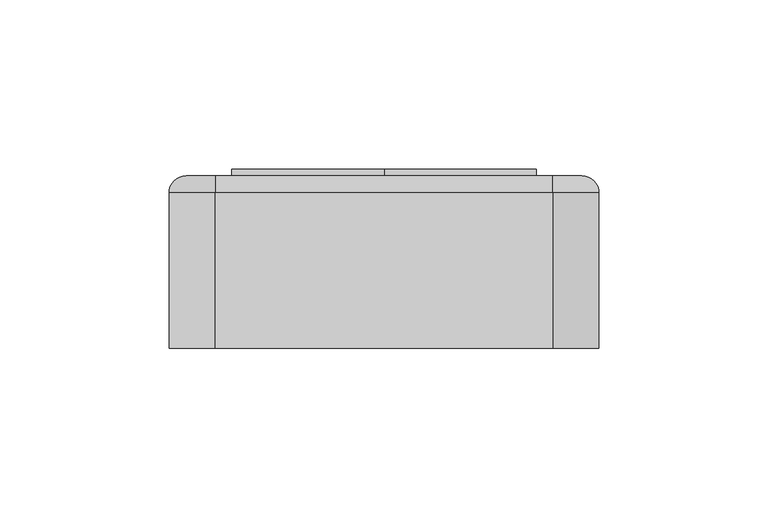
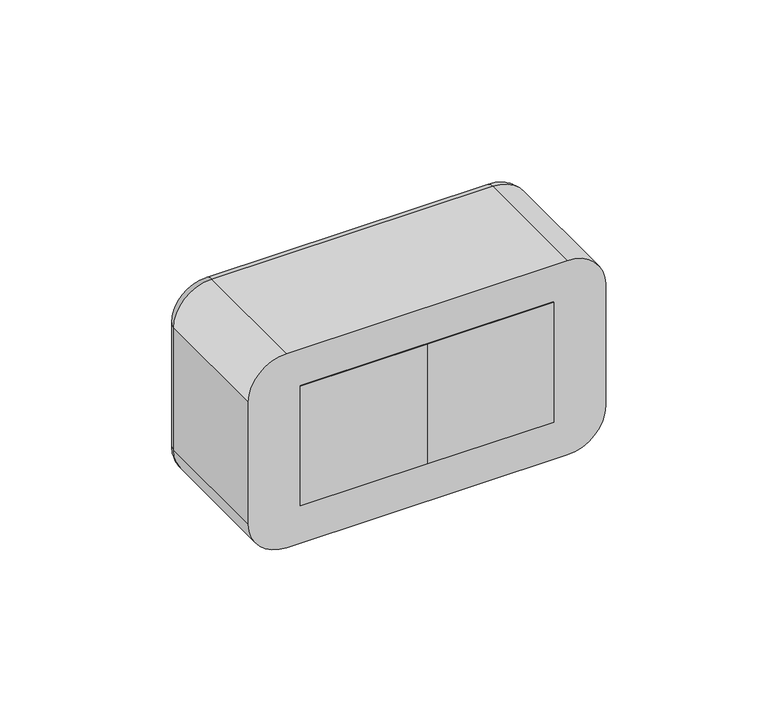
"""IFC4 building model written with IfcOpenShell, lengths in millimetres: proxy geometry."""

from ifc_helpers import new_model, si_unit, point, frame, frame_2d, origin, place, context, project, spatial, polyline, circle_curve, ellipse_curve, trimmed, segment, composite_curve, outline, extrude, source, transform, mapped, element, save
from ifc_brep_helpers import plane_surface, cylinder_surface, revolved_surface, advanced_brep


def electrical_fixtures_0eaf3c72(model_context):
    return source(origin(), model_context, "Body", "SolidModel", [
        advanced_brep(
        [(0.0, 51.0, 22.5), (0.0, 51.0, -22.5), (-45.0, 51.0, -22.5), (-45.0, 51.0, 22.5), (-40.5, 51.0, 0.0), (-4.5, 51.0, 0.0), (0.0, 43.0, 22.5), (-45.0, 43.0, 22.5), (-45.0, 43.0, -22.5), (0.0, 43.0, -22.5), (-29.5, 43.0, 0.0), (-34.5, 43.0, 0.0), (-10.5, 43.0, 0.0), (-15.5, 43.0, 0.0), (-40.5, 44.0, 0.0), (-4.5, 44.0, 0.0), (-34.5, 44.0, 0.0), (-29.5, 44.0, 0.0), (-15.5, 44.0, 0.0), (-10.5, 44.0, 0.0)],
        [
            (0, 1),
            (1, 2),
            (2, 3),
            (3, 0),
            (4, 5, circle_curve(frame((-22.5, 51.0, 0.0), z_axis=(0.0, -1.0, 0.0), x_axis=(1.0, 0.0, 0.0)), 18.0)),
            (5, 4, circle_curve(frame((-22.5, 51.0, 0.0), z_axis=(0.0, -1.0, 0.0), x_axis=(1.0, 0.0, 0.0)), 18.0)),
            (6, 7),
            (7, 8),
            (8, 9),
            (9, 6),
            (10, 11, circle_curve(frame((-32.0, 43.0, 0.0), z_axis=(0.0, 1.0, 0.0), x_axis=(1.0, 0.0, 0.0)), 2.5)),
            (11, 10, circle_curve(frame((-32.0, 43.0, 0.0), z_axis=(0.0, 1.0, 0.0), x_axis=(1.0, 0.0, 0.0)), 2.5)),
            (12, 13, circle_curve(frame((-13.0, 43.0, 0.0), z_axis=(0.0, 1.0, 0.0), x_axis=(1.0, 0.0, 0.0)), 2.5)),
            (13, 12, circle_curve(frame((-13.0, 43.0, 0.0), z_axis=(0.0, 1.0, 0.0), x_axis=(1.0, 0.0, 0.0)), 2.5)),
            (3, 7),
            (6, 0),
            (2, 8),
            (1, 9),
            (14, 15, circle_curve(frame((-22.5, 44.0, 0.0), z_axis=(0.0, 1.0, 0.0), x_axis=(1.0, 0.0, 0.0)), 18.0)),
            (15, 14, circle_curve(frame((-22.5, 44.0, 0.0), z_axis=(0.0, 1.0, 0.0), x_axis=(1.0, 0.0, 0.0)), 18.0)),
            (16, 17, circle_curve(frame((-32.0, 44.0, 0.0), z_axis=(0.0, -1.0, 0.0), x_axis=(1.0, 0.0, 0.0)), 2.5)),
            (17, 16, circle_curve(frame((-32.0, 44.0, 0.0), z_axis=(0.0, -1.0, 0.0), x_axis=(1.0, 0.0, 0.0)), 2.5)),
            (18, 19, circle_curve(frame((-13.0, 44.0, 0.0), z_axis=(0.0, -1.0, 0.0), x_axis=(1.0, 0.0, 0.0)), 2.5)),
            (19, 18, circle_curve(frame((-13.0, 44.0, 0.0), z_axis=(0.0, -1.0, 0.0), x_axis=(1.0, 0.0, 0.0)), 2.5)),
            (15, 5),
            (4, 14),
            (10, 17),
            (16, 11),
            (12, 19),
            (18, 13),
        ],
        [
            plane_surface(frame((-61.5, 51.0, 22.5), z_axis=(0.0, 1.0, 0.0), x_axis=(1.0, 0.0, 0.0))),
            plane_surface(frame((-61.5, 43.0, 22.5), z_axis=(0.0, -1.0, 0.0), x_axis=(-1.0, 0.0, 0.0))),
            plane_surface(frame((0.0, 43.0, 22.5), z_axis=(0.0, 0.0, 1.0), x_axis=(0.0, 1.0, 0.0))),
            plane_surface(frame((-45.0, 43.0, 22.5), z_axis=(-1.0, 0.0, 0.0), x_axis=(0.0, 1.0, 0.0))),
            plane_surface(frame((-45.0, 43.0, -22.5), z_axis=(0.0, 0.0, -1.0), x_axis=(0.0, 1.0, 0.0))),
            plane_surface(frame((0.0, 43.0, -22.5), z_axis=(1.0, 0.0, 0.0), x_axis=(0.0, 1.0, 0.0))),
            plane_surface(frame((-4.5, 44.0, 0.0), z_axis=(0.0, 1.0, 0.0), x_axis=(0.0, 0.0, 1.0))),
            revolved_surface(polyline([(-4.5, 44.0, 0.0), (-4.5, 51.0, 0.0)]), (-22.5, 51.0, 0.0), (0.0, -1.0, 0.0)),
            revolved_surface(polyline([(-29.5, 43.0, 0.0), (-29.5, 44.0, 0.0)]), (-32.0, 44.0, 0.0), (0.0, -1.0, 0.0)),
            revolved_surface(polyline([(-10.5, 43.0, 0.0), (-10.5, 44.0, 0.0)]), (-13.0, 43.0, 0.0), (0.0, -1.0, 0.0)),
        ],
        [
            (0, [[1, 2, 3, 4], [5, 6]]),
            (1, [[7, 8, 9, 10], [11, 12], [13, 14]]),
            (2, [[-4, 15, -7, 16]]),
            (3, [[-3, 17, -8, -15]]),
            (4, [[-2, 18, -9, -17]]),
            (5, [[-1, -16, -10, -18]]),
            (6, [[19, 20], [21, 22], [23, 24]]),
            (7, [[-20, 25, -5, 26]]),
            (7, [[-19, -26, -6, -25]]),
            (8, [[27, -21, 28, -11]]),
            (8, [[-27, -12, -28, -22]]),
            (9, [[29, -23, 30, -13]]),
            (9, [[-29, -14, -30, -24]]),
        ],
    ),
        extrude(outline(polyline([(0.0, 0.0), (-45.0, 0.0), (-45.0, 43.0), (0.0, 43.0), (0.0, 0.0)])), frame((0.0, 0.0, -22.5), z_axis=(0.0, 0.0, 1.0), x_axis=(1.0, 0.0, 0.0)), (0.0, 0.0, 1.0), 45.0),
        extrude(outline(polyline([(0.0, 51.0), (-45.0, 51.0), (-45.0, 53.0), (0.0, 53.0), (0.0, 51.0)])), frame((0.0, 0.0, -22.5), z_axis=(0.0, 0.0, 1.0), x_axis=(1.0, 0.0, 0.0)), (0.0, 0.0, 1.0), 45.0),
        extrude(outline(composite_curve([segment(polyline([(-16.0, -24.0), (-17.9373911, -24.0)]), True, "CONTINUOUS"), segment(trimmed(circle_curve(frame_2d((0.0, -22.5)), 18.0), [point((-17.9373911, -24.0))], [point((-17.9373911, -21.0))], False, "CARTESIAN"), True, "CONTINUOUS"), segment(polyline([(-17.9373911, -21.0), (-16.0, -21.0), (-16.0, -24.0)]), True, "CONTINUOUS")], self_intersect=False)), frame((0.0, 44.0, 0.0), z_axis=(0.0, 1.0, 0.0), x_axis=(0.0, 0.0, 1.0)), (0.0, 0.0, 1.0), 6.0),
        extrude(outline(composite_curve([segment(polyline([(16.0, -24.0), (16.0, -21.0), (17.9373911, -21.0)]), True, "CONTINUOUS"), segment(trimmed(circle_curve(frame_2d((0.0, -22.5)), 18.0), [point((17.9373911, -21.0))], [point((17.9373911, -24.0))], False, "CARTESIAN"), True, "CONTINUOUS"), segment(polyline([(17.9373911, -24.0), (16.0, -24.0)]), True, "CONTINUOUS")], self_intersect=False)), frame((0.0, 44.0, 0.0), z_axis=(0.0, 1.0, 0.0), x_axis=(0.0, 0.0, 1.0)), (0.0, 0.0, 1.0), 6.0),
        extrude(outline(composite_curve([segment(polyline([(8.2462113, -6.5), (2.0, -6.5), (2.0, -4.6114562)]), True, "CONTINUOUS"), segment(trimmed(circle_curve(frame_2d((0.0, -22.5)), 18.0), [point((2.0, -4.6114562))], [point((8.2462113, -6.5))], False, "CARTESIAN"), True, "CONTINUOUS")], self_intersect=False)), frame((0.0, 44.0, 0.0), z_axis=(0.0, 1.0, 0.0), x_axis=(0.0, 0.0, 1.0)), (0.0, 0.0, 1.0), 6.0),
        extrude(outline(composite_curve([segment(trimmed(circle_curve(frame_2d((0.0, -22.5)), 18.0), [point((-8.2462113, -6.5))], [point((-2.0, -4.6114562))], False, "CARTESIAN"), True, "CONTINUOUS"), segment(polyline([(-2.0, -4.6114562), (-2.0, -6.5), (-8.2462113, -6.5)]), True, "CONTINUOUS")], self_intersect=False)), frame((0.0, 44.0, 0.0), z_axis=(0.0, 1.0, 0.0), x_axis=(0.0, 0.0, 1.0)), (0.0, 0.0, 1.0), 6.0),
        extrude(outline(composite_curve([segment(polyline([(-8.2462113, -38.5), (-2.0, -38.5), (-2.0, -40.3885438)]), True, "CONTINUOUS"), segment(trimmed(circle_curve(frame_2d((0.0, -22.5)), 18.0), [point((-2.0, -40.3885438))], [point((-8.2462113, -38.5))], False, "CARTESIAN"), True, "CONTINUOUS")], self_intersect=False)), frame((0.0, 44.0, 0.0), z_axis=(0.0, 1.0, 0.0), x_axis=(0.0, 0.0, 1.0)), (0.0, 0.0, 1.0), 6.0),
        extrude(outline(composite_curve([segment(trimmed(circle_curve(frame_2d((0.0, -22.5)), 18.0), [point((8.2462113, -38.5))], [point((2.0, -40.3885438))], False, "CARTESIAN"), True, "CONTINUOUS"), segment(polyline([(2.0, -40.3885438), (2.0, -38.5), (8.2462113, -38.5)]), True, "CONTINUOUS")], self_intersect=False)), frame((0.0, 44.0, 0.0), z_axis=(0.0, 1.0, 0.0), x_axis=(0.0, 0.0, 1.0)), (0.0, 0.0, 1.0), 6.0),
        advanced_brep(
        [(45.0, 51.0, 22.5), (45.0, 51.0, -22.5), (0.0, 51.0, -22.5), (0.0, 51.0, 22.5), (4.5, 51.0, 0.0), (40.5, 51.0, 0.0), (45.0, 43.0, 22.5), (0.0, 43.0, 22.5), (0.0, 43.0, -22.5), (45.0, 43.0, -22.5), (15.5, 43.0, 0.0), (10.5, 43.0, 0.0), (34.5, 43.0, 0.0), (29.5, 43.0, 0.0), (4.5, 44.0, 0.0), (40.5, 44.0, 0.0), (10.5, 44.0, 0.0), (15.5, 44.0, 0.0), (29.5, 44.0, 0.0), (34.5, 44.0, 0.0)],
        [
            (0, 1),
            (1, 2),
            (2, 3),
            (3, 0),
            (4, 5, circle_curve(frame((22.5, 51.0, 0.0), z_axis=(0.0, -1.0, 0.0), x_axis=(1.0, 0.0, 0.0)), 18.0)),
            (5, 4, circle_curve(frame((22.5, 51.0, 0.0), z_axis=(0.0, -1.0, 0.0), x_axis=(1.0, 0.0, 0.0)), 18.0)),
            (6, 7),
            (7, 8),
            (8, 9),
            (9, 6),
            (10, 11, circle_curve(frame((13.0, 43.0, 0.0), z_axis=(0.0, 1.0, 0.0), x_axis=(1.0, 0.0, 0.0)), 2.5)),
            (11, 10, circle_curve(frame((13.0, 43.0, 0.0), z_axis=(0.0, 1.0, 0.0), x_axis=(1.0, 0.0, 0.0)), 2.5)),
            (12, 13, circle_curve(frame((32.0, 43.0, 0.0), z_axis=(0.0, 1.0, 0.0), x_axis=(1.0, 0.0, 0.0)), 2.5)),
            (13, 12, circle_curve(frame((32.0, 43.0, 0.0), z_axis=(0.0, 1.0, 0.0), x_axis=(1.0, 0.0, 0.0)), 2.5)),
            (3, 7),
            (6, 0),
            (2, 8),
            (1, 9),
            (14, 15, circle_curve(frame((22.5, 44.0, 0.0), z_axis=(0.0, 1.0, 0.0), x_axis=(1.0, 0.0, 0.0)), 18.0)),
            (15, 14, circle_curve(frame((22.5, 44.0, 0.0), z_axis=(0.0, 1.0, 0.0), x_axis=(1.0, 0.0, 0.0)), 18.0)),
            (16, 17, circle_curve(frame((13.0, 44.0, 0.0), z_axis=(0.0, -1.0, 0.0), x_axis=(1.0, 0.0, 0.0)), 2.5)),
            (17, 16, circle_curve(frame((13.0, 44.0, 0.0), z_axis=(0.0, -1.0, 0.0), x_axis=(1.0, 0.0, 0.0)), 2.5)),
            (18, 19, circle_curve(frame((32.0, 44.0, 0.0), z_axis=(0.0, -1.0, 0.0), x_axis=(1.0, 0.0, 0.0)), 2.5)),
            (19, 18, circle_curve(frame((32.0, 44.0, 0.0), z_axis=(0.0, -1.0, 0.0), x_axis=(1.0, 0.0, 0.0)), 2.5)),
            (15, 5),
            (4, 14),
            (10, 17),
            (16, 11),
            (12, 19),
            (18, 13),
        ],
        [
            plane_surface(frame((-16.5, 51.0, 22.5), z_axis=(0.0, 1.0, 0.0), x_axis=(1.0, 0.0, 0.0))),
            plane_surface(frame((-16.5, 43.0, 22.5), z_axis=(0.0, -1.0, 0.0), x_axis=(-1.0, 0.0, 0.0))),
            plane_surface(frame((45.0, 43.0, 22.5), z_axis=(0.0, 0.0, 1.0), x_axis=(0.0, 1.0, 0.0))),
            plane_surface(frame((0.0, 43.0, 22.5), z_axis=(-1.0, 0.0, 0.0), x_axis=(0.0, 1.0, 0.0))),
            plane_surface(frame((0.0, 43.0, -22.5), z_axis=(0.0, 0.0, -1.0), x_axis=(0.0, 1.0, 0.0))),
            plane_surface(frame((45.0, 43.0, -22.5), z_axis=(1.0, 0.0, 0.0), x_axis=(0.0, 1.0, 0.0))),
            plane_surface(frame((40.5, 44.0, 0.0), z_axis=(0.0, 1.0, 0.0), x_axis=(0.0, 0.0, 1.0))),
            revolved_surface(polyline([(40.5, 44.0, 0.0), (40.5, 51.0, 0.0)]), (22.5, 51.0, 0.0), (0.0, -1.0, 0.0)),
            revolved_surface(polyline([(15.5, 43.0, 0.0), (15.5, 44.0, 0.0)]), (13.0, 44.0, 0.0), (0.0, -1.0, 0.0)),
            revolved_surface(polyline([(34.5, 43.0, 0.0), (34.5, 44.0, 0.0)]), (32.0, 43.0, 0.0), (0.0, -1.0, 0.0)),
        ],
        [
            (0, [[1, 2, 3, 4], [5, 6]]),
            (1, [[7, 8, 9, 10], [11, 12], [13, 14]]),
            (2, [[-4, 15, -7, 16]]),
            (3, [[-3, 17, -8, -15]]),
            (4, [[-2, 18, -9, -17]]),
            (5, [[-1, -16, -10, -18]]),
            (6, [[19, 20], [21, 22], [23, 24]]),
            (7, [[-20, 25, -5, 26]]),
            (7, [[-19, -26, -6, -25]]),
            (8, [[27, -21, 28, -11]]),
            (8, [[-27, -12, -28, -22]]),
            (9, [[29, -23, 30, -13]]),
            (9, [[-29, -14, -30, -24]]),
        ],
    ),
        extrude(outline(polyline([(45.0, 0.0), (0.0, 0.0), (0.0, 43.0), (45.0, 43.0), (45.0, 0.0)])), frame((0.0, 0.0, -22.5), z_axis=(0.0, 0.0, 1.0), x_axis=(1.0, 0.0, 0.0)), (0.0, 0.0, 1.0), 45.0),
        extrude(outline(polyline([(45.0, 51.0), (0.0, 51.0), (0.0, 53.0), (45.0, 53.0), (45.0, 51.0)])), frame((0.0, 0.0, -22.5), z_axis=(0.0, 0.0, 1.0), x_axis=(1.0, 0.0, 0.0)), (0.0, 0.0, 1.0), 45.0),
        extrude(outline(composite_curve([segment(polyline([(-16.0, 21.0), (-17.9373911, 21.0)]), True, "CONTINUOUS"), segment(trimmed(circle_curve(frame_2d((0.0, 22.5)), 18.0), [point((-17.9373911, 21.0))], [point((-17.9373911, 24.0))], False, "CARTESIAN"), True, "CONTINUOUS"), segment(polyline([(-17.9373911, 24.0), (-16.0, 24.0), (-16.0, 21.0)]), True, "CONTINUOUS")], self_intersect=False)), frame((0.0, 44.0, 0.0), z_axis=(0.0, 1.0, 0.0), x_axis=(0.0, 0.0, 1.0)), (0.0, 0.0, 1.0), 6.0),
        extrude(outline(composite_curve([segment(polyline([(16.0, 21.0), (16.0, 24.0), (17.9373911, 24.0)]), True, "CONTINUOUS"), segment(trimmed(circle_curve(frame_2d((0.0, 22.5)), 18.0), [point((17.9373911, 24.0))], [point((17.9373911, 21.0))], False, "CARTESIAN"), True, "CONTINUOUS"), segment(polyline([(17.9373911, 21.0), (16.0, 21.0)]), True, "CONTINUOUS")], self_intersect=False)), frame((0.0, 44.0, 0.0), z_axis=(0.0, 1.0, 0.0), x_axis=(0.0, 0.0, 1.0)), (0.0, 0.0, 1.0), 6.0),
        extrude(outline(composite_curve([segment(polyline([(8.2462113, 38.5), (2.0, 38.5), (2.0, 40.3885438)]), True, "CONTINUOUS"), segment(trimmed(circle_curve(frame_2d((0.0, 22.5)), 18.0), [point((2.0, 40.3885438))], [point((8.2462113, 38.5))], False, "CARTESIAN"), True, "CONTINUOUS")], self_intersect=False)), frame((0.0, 44.0, 0.0), z_axis=(0.0, 1.0, 0.0), x_axis=(0.0, 0.0, 1.0)), (0.0, 0.0, 1.0), 6.0),
        extrude(outline(composite_curve([segment(trimmed(circle_curve(frame_2d((0.0, 22.5)), 18.0), [point((-8.2462113, 38.5))], [point((-2.0, 40.3885438))], False, "CARTESIAN"), True, "CONTINUOUS"), segment(polyline([(-2.0, 40.3885438), (-2.0, 38.5), (-8.2462113, 38.5)]), True, "CONTINUOUS")], self_intersect=False)), frame((0.0, 44.0, 0.0), z_axis=(0.0, 1.0, 0.0), x_axis=(0.0, 0.0, 1.0)), (0.0, 0.0, 1.0), 6.0),
        extrude(outline(composite_curve([segment(polyline([(-8.2462113, 6.5), (-2.0, 6.5), (-2.0, 4.6114562)]), True, "CONTINUOUS"), segment(trimmed(circle_curve(frame_2d((0.0, 22.5)), 18.0), [point((-2.0, 4.6114562))], [point((-8.2462113, 6.5))], False, "CARTESIAN"), True, "CONTINUOUS")], self_intersect=False)), frame((0.0, 44.0, 0.0), z_axis=(0.0, 1.0, 0.0), x_axis=(0.0, 0.0, 1.0)), (0.0, 0.0, 1.0), 6.0),
        extrude(outline(composite_curve([segment(trimmed(circle_curve(frame_2d((0.0, 22.5)), 18.0), [point((8.2462113, 6.5))], [point((2.0, 4.6114562))], False, "CARTESIAN"), True, "CONTINUOUS"), segment(polyline([(2.0, 4.6114562), (2.0, 6.5), (8.2462113, 6.5)]), True, "CONTINUOUS")], self_intersect=False)), frame((0.0, 44.0, 0.0), z_axis=(0.0, 1.0, 0.0), x_axis=(0.0, 0.0, 1.0)), (0.0, 0.0, 1.0), 6.0),
        advanced_brep(
        [(49.9328665, 51.0, 31.5), (58.5, 51.0, 22.9328665), (58.5, 51.0, -22.9328665), (49.9328665, 51.0, -31.5), (-49.9328665, 51.0, -31.5), (-58.5, 51.0, -22.9328665), (-58.5, 51.0, 22.9328665), (-49.9328665, 51.0, 31.5), (45.0, 51.0, 22.5), (-45.0, 51.0, 22.5), (-45.0, 51.0, -22.5), (45.0, 51.0, -22.5), (-49.9328665, 0.0, 36.5), (-63.5, 0.0, 22.9328665), (-63.5, 0.0, -22.9328665), (-49.9328665, 0.0, -36.5), (49.9328665, 0.0, -36.5), (63.5, 0.0, -22.9328665), (63.5, 0.0, 22.9328665), (49.9328665, 0.0, 36.5), (45.0, 2.0, -22.5), (45.0, 2.0, 22.5), (-45.0, 2.0, -22.5), (-45.0, 2.0, 22.5), (-63.5, 46.0, 22.9328665), (-63.5, 46.0, -22.9328665), (-49.9328665, 46.0, -36.5), (49.9328665, 46.0, -36.5), (63.5, 46.0, -22.9328665), (63.5, 46.0, 22.9328665), (49.9328665, 46.0000072, 36.5), (-49.9328665, 46.0, 36.5)],
        [
            (0, 1, circle_curve(frame((49.9328665, 51.0, 22.9328665), z_axis=(0.0, 1.0, 0.0), x_axis=(0.0, 0.0, 1.0)), 8.5671335)),
            (1, 2),
            (2, 3, circle_curve(frame((49.9328665, 51.0, -22.9328665), z_axis=(0.0, 1.0, 0.0), x_axis=(1.0, 0.0, 0.0)), 8.5671335)),
            (3, 4),
            (4, 5, circle_curve(frame((-49.9328665, 51.0, -22.9328665), z_axis=(0.0, 1.0, 0.0), x_axis=(0.0, 0.0, -1.0)), 8.5671335)),
            (5, 6),
            (6, 7, circle_curve(frame((-49.9328665, 51.0, 22.9328665), z_axis=(0.0, 1.0, 0.0), x_axis=(-1.0, 0.0, 0.0)), 8.5671335)),
            (7, 0),
            (8, 9),
            (9, 10),
            (10, 11),
            (11, 8),
            (12, 13, circle_curve(frame((-49.9328665, 0.0, 22.9328665), z_axis=(0.0, -1.0, 0.0), x_axis=(1.0, 0.0, 0.0)), 13.5671335)),
            (13, 14),
            (14, 15, circle_curve(frame((-49.9328665, 0.0, -22.9328665), z_axis=(0.0, -1.0, 0.0), x_axis=(1.0, 0.0, 0.0)), 13.5671335)),
            (15, 16),
            (16, 17, circle_curve(frame((49.9328665, 0.0, -22.9328665), z_axis=(0.0, -1.0, 0.0), x_axis=(1.0, 0.0, 0.0)), 13.5671335)),
            (17, 18),
            (18, 19, circle_curve(frame((49.9328665, 0.0, 22.9328665), z_axis=(0.0, -1.0, 0.0), x_axis=(1.0, 0.0, 0.0)), 13.5671335)),
            (19, 12),
            (11, 20),
            (20, 21),
            (21, 8),
            (10, 22),
            (22, 20),
            (9, 23),
            (23, 22),
            (21, 23),
            (13, 24),
            (24, 25),
            (25, 14),
            (15, 26),
            (26, 27),
            (27, 16),
            (17, 28),
            (28, 29),
            (29, 18),
            (19, 30),
            (30, 31),
            (31, 12),
            (31, 24, circle_curve(frame((-49.9328665, 46.0, 22.9328665), z_axis=(0.0, -1.0, 0.0), x_axis=(1.0, 0.0, 0.0)), 13.5671335)),
            (25, 26, circle_curve(frame((-49.9328665, 46.0, -22.9328665), z_axis=(0.0, -1.0, 0.0), x_axis=(1.0, 0.0, 0.0)), 13.5671335)),
            (27, 28, circle_curve(frame((49.9328665, 46.0, -22.9328665), z_axis=(0.0, -1.0, 0.0), x_axis=(1.0, 0.0, 0.0)), 13.5671335)),
            (29, 30, circle_curve(frame((49.9328665, 46.0, 22.9328665), z_axis=(0.0, -1.0, 0.0), x_axis=(1.0, 0.0, 0.0)), 13.5671335)),
            (29, 1, circle_curve(frame((58.5, 46.0, 22.9328665), z_axis=(0.0, 0.0, 1.0), x_axis=(0.0, 1.0, 0.0)), 5.0)),
            (0, 30, circle_curve(frame((49.9328665, 46.0, 31.5), z_axis=(1.0, 0.0, 0.0), x_axis=(0.0, 1.0, 0.0)), 5.0)),
            (28, 2, circle_curve(frame((58.5, 46.0, -22.9328665), z_axis=(0.0, 0.0, 1.0), x_axis=(0.0, 1.0, 0.0)), 5.0)),
            (27, 3, circle_curve(frame((49.9328665, 46.0, -31.5), z_axis=(1.0, 0.0, 0.0), x_axis=(0.0, 1.0, 0.0)), 5.0)),
            (26, 4, circle_curve(frame((-49.9328665, 46.0, -31.5), z_axis=(1.0, 0.0, 0.0), x_axis=(0.0, 1.0, 0.0)), 5.0)),
            (25, 5, circle_curve(frame((-58.5, 46.0, -22.9328665), z_axis=(0.0, 0.0, -1.0), x_axis=(0.0, 1.0, 0.0)), 5.0)),
            (24, 6, circle_curve(frame((-58.5, 46.0, 22.9328665), z_axis=(0.0, 0.0, -1.0), x_axis=(0.0, 1.0, 0.0)), 5.0)),
            (31, 7, circle_curve(frame((-49.9328665, 46.0, 31.5), z_axis=(-1.0, 0.0, 0.0), x_axis=(0.0, 1.0, 0.0)), 5.0)),
        ],
        [
            plane_surface(frame((45.0, 51.0, 6.9412233), z_axis=(0.0, 1.0, 0.0), x_axis=(0.0, 0.0, 1.0))),
            plane_surface(frame((45.0, 0.0, 6.9412233), z_axis=(0.0, -1.0, 0.0), x_axis=(0.0, 0.0, -1.0))),
            plane_surface(frame((45.0, 0.0, 22.5), z_axis=(-1.0, 0.0, 0.0), x_axis=(0.0, 1.0, 0.0))),
            plane_surface(frame((45.0, 0.0, -22.5), z_axis=(0.0, 0.0, 1.0), x_axis=(0.0, 1.0, 0.0))),
            plane_surface(frame((-45.0, 0.0, -22.5), z_axis=(1.0, 0.0, 0.0), x_axis=(0.0, 1.0, 0.0))),
            plane_surface(frame((-45.0, 0.0, 22.5), z_axis=(0.0, 0.0, -1.0), x_axis=(0.0, 1.0, 0.0))),
            plane_surface(frame((-63.5, 0.0, 22.9328665), z_axis=(-1.0, 0.0, 0.0), x_axis=(0.0, 1.0, 0.0))),
            plane_surface(frame((-49.9328665, 0.0, -36.5), z_axis=(0.0, 0.0, -1.0), x_axis=(0.0, 1.0, 0.0))),
            plane_surface(frame((63.5, 0.0, -22.9328665), z_axis=(1.0, 0.0, 0.0), x_axis=(0.0, 1.0, 0.0))),
            plane_surface(frame((49.9328665, 0.0, 36.5), z_axis=(0.0, 0.0, 1.0), x_axis=(0.0, 1.0, 0.0))),
            cylinder_surface(frame((-49.9328665, 0.0, 22.9328665), z_axis=(0.0, -1.0, 0.0), x_axis=(1.0, 0.0, 0.0)), 13.5671335),
            cylinder_surface(frame((-49.9328665, 0.0, -22.9328665), z_axis=(0.0, -1.0, 0.0), x_axis=(1.0, 0.0, 0.0)), 13.5671335),
            cylinder_surface(frame((49.9328665, 0.0, -22.9328665), z_axis=(0.0, -1.0, 0.0), x_axis=(1.0, 0.0, 0.0)), 13.5671335),
            cylinder_surface(frame((49.9328665, 0.0, 22.9328665), z_axis=(0.0, -1.0, 0.0), x_axis=(1.0, 0.0, 0.0)), 13.5671335),
            plane_surface(frame((-45.0, 2.0, 22.5), z_axis=(0.0, 1.0, 0.0), x_axis=(0.0, 0.0, 1.0))),
            revolved_surface(trimmed(ellipse_curve(frame((49.9328665, 46.0, 31.5), z_axis=(-1.0, 0.0, 0.0), x_axis=(0.0, 1.0, 0.0)), 5.0, 5.0), [point((49.9328665, 46.0, 36.5))], [point((49.9328665, 51.0, 31.5))], True, "CARTESIAN"), (49.9328665, 51.0, 22.9328665), (0.0, 1.0, 0.0)),
            cylinder_surface(frame((58.5, 46.0, 22.9328665), z_axis=(0.0, 0.0, -1.0), x_axis=(0.0, 1.0, 0.0)), 5.0),
            revolved_surface(trimmed(ellipse_curve(frame((58.5, 46.0, -22.9328665), z_axis=(0.0, 0.0, 1.0), x_axis=(0.0, 1.0, 0.0)), 5.0, 5.0), [point((63.5, 46.0, -22.9328665))], [point((58.5, 51.0, -22.9328665))], True, "CARTESIAN"), (49.9328665, 51.0, -22.9328665), (0.0, 1.0, 0.0)),
            cylinder_surface(frame((49.9328665, 46.0, -31.5), z_axis=(-1.0, 0.0, 0.0), x_axis=(0.0, 1.0, 0.0)), 5.0),
            revolved_surface(trimmed(ellipse_curve(frame((-49.9328665, 46.0, -31.5), z_axis=(1.0, 0.0, 0.0), x_axis=(0.0, 1.0, 0.0)), 5.0, 5.0), [point((-49.9328665, 46.0, -36.5))], [point((-49.9328665, 51.0, -31.5))], True, "CARTESIAN"), (-49.9328665, 51.0, -22.9328665), (0.0, 1.0, 0.0)),
            cylinder_surface(frame((-58.5, 46.0, -22.9328665), z_axis=(0.0, 0.0, 1.0), x_axis=(0.0, 1.0, 0.0)), 5.0),
            revolved_surface(trimmed(ellipse_curve(frame((-58.5, 46.0, 22.9328665), z_axis=(0.0, 0.0, -1.0), x_axis=(0.0, 1.0, 0.0)), 5.0, 5.0), [point((-63.5, 46.0, 22.9328665))], [point((-58.5, 51.0, 22.9328665))], True, "CARTESIAN"), (-49.9328665, 51.0, 22.9328665), (0.0, 1.0, 0.0)),
            cylinder_surface(frame((-49.9328665, 46.0, 31.5), z_axis=(1.0, 0.0, 0.0), x_axis=(0.0, 1.0, 0.0)), 5.0),
        ],
        [
            (0, [[1, 2, 3, 4, 5, 6, 7, 8], [9, 10, 11, 12]]),
            (1, [[13, 14, 15, 16, 17, 18, 19, 20]]),
            (2, [[-12, 21, 22, 23]]),
            (3, [[-11, 24, 25, -21]]),
            (4, [[-10, 26, 27, -24]]),
            (5, [[-9, -23, 28, -26]]),
            (6, [[-14, 29, 30, 31]]),
            (7, [[-16, 32, 33, 34]]),
            (8, [[-18, 35, 36, 37]]),
            (9, [[-20, 38, 39, 40]]),
            (10, [[-13, -40, 41, -29]]),
            (11, [[-15, -31, 42, -32]]),
            (12, [[-17, -34, 43, -35]]),
            (13, [[-19, -37, 44, -38]]),
            (14, [[-22, -25, -27, -28]]),
            (15, [[45, -1, 46, -44]]),
            (16, [[-45, -36, 47, -2]]),
            (17, [[-47, -43, 48, -3]]),
            (18, [[-48, -33, 49, -4]]),
            (19, [[-49, -42, 50, -5]]),
            (20, [[-50, -30, 51, -6]]),
            (21, [[-51, -41, 52, -7]]),
            (22, [[-46, -8, -52, -39]]),
        ],
    ),
    ])


if __name__ == "__main__":
    model = new_model("IFC4")
    model_context = context("Model", 3, world=origin())
    ifc_project = project(units=[si_unit("LENGTHUNIT", "METRE", prefix="MILLI")], contexts=[model_context])
    site = spatial("IfcSite", under=ifc_project)
    building = spatial("IfcBuilding", under=site)
    placement = place(None, origin())
    electrical_fixtures_shape = electrical_fixtures_0eaf3c72(model_context)
    element("IfcBuildingElementProxy", 1, Name="Electrical Fixtures", at=placement, inside=building, context=model_context, shape_type="MappedRepresentation", body=[
        mapped(electrical_fixtures_shape, transform((0.0, 0.0, 0.0), x_axis=(1.0, 0.0, 0.0), y_axis=(0.0, 1.0, 0.0), z_axis=(0.0, 0.0, 1.0))),
    ])
    save(model, "model.ifc")
